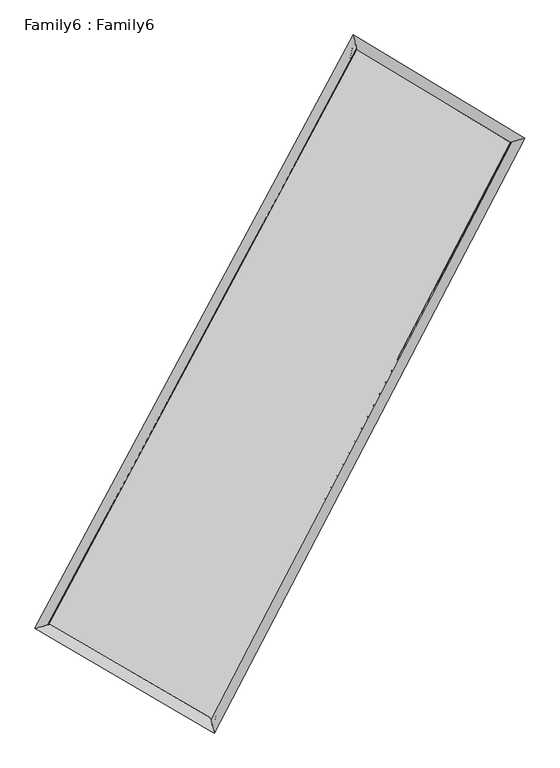
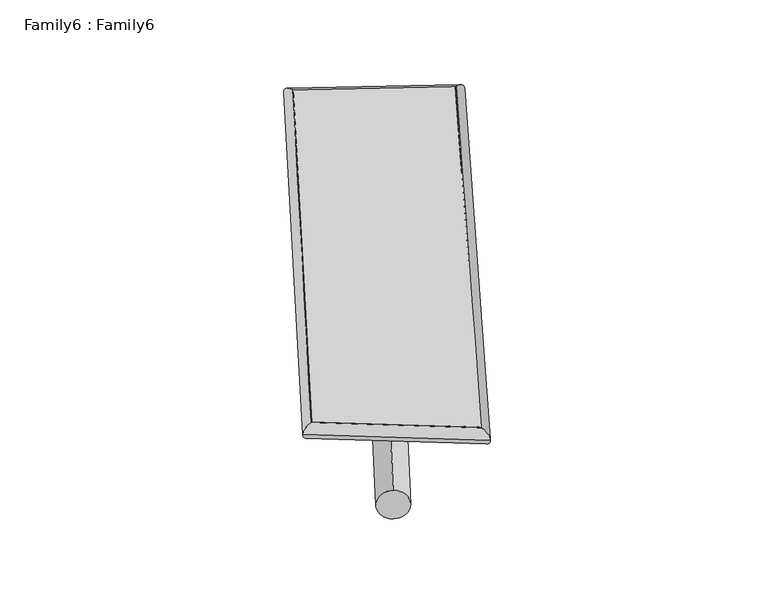
"""IFC4 building model written with IfcOpenShell, lengths in millimetres: plate geometry, Family6 : Family6."""

import ifcopenshell
import ifcopenshell.guid

model = None  # the IFC model being written
_history = None  # IfcOwnerHistory: only IFC2X3 demands one
_inside = {}  # id of a spatial element -> (the spatial element, [elements in it])
_under = {}  # id of a project, library or spatial element -> (it, [spatial elements below it])
_declared = {}  # id of a project -> (the project, [libraries it declares])
_typed = {}  # id of a type object -> (the type object, [elements of that type])
_made_of = {}  # id of a material, layer set ... -> (it, [elements and type objects made of it])


def new_model(schema):
    """Start an empty IFC model of exactly this schema.

    Asked for "IFC4X3", IfcOpenShell would pick the latest addendum, in which some entities
    have other attributes; the version numbers below select the first issue.
    IFC2X3 requires an IfcOwnerHistory on every rooted entity: one is made here for all.
    """
    global model, _history
    if schema == "IFC4X3":
        model = ifcopenshell.file(schema_version=(4, 3, 0, 0))
    else:
        model = ifcopenshell.file(schema=schema)
    _inside.clear()
    _under.clear()
    _declared.clear()
    _typed.clear()
    _made_of.clear()
    _history = None
    if model.schema == "IFC2X3":
        org = make("IfcOrganization", Name="unknown")
        user = make(
            "IfcPersonAndOrganization",
            ThePerson=make("IfcPerson", FamilyName="unknown"),
            TheOrganization=org,
        )
        app = make(
            "IfcApplication",
            ApplicationDeveloper=org,
            Version="unknown",
            ApplicationFullName="unknown",
            ApplicationIdentifier="unknown",
        )
        _history = make(
            "IfcOwnerHistory",
            OwningUser=user,
            OwningApplication=app,
            ChangeAction="ADDED",
            CreationDate=0,
        )
    return model


def make(cls, **values):
    """One entity of the class cls with the attributes given. An attribute that is None is left unset."""
    return model.create_entity(
        cls, **{name: value for name, value in values.items() if value is not None}
    )


def rooted(cls, **values):
    """An entity with a GlobalId (a new one), such as an element, a storey or a relation."""
    return make(cls, GlobalId=ifcopenshell.guid.new(), OwnerHistory=_history, **values)


def si_unit(unit_type, name, prefix=None):
    """IfcSIUnit, for example si_unit("LENGTHUNIT", "METRE", prefix="MILLI")."""
    return make("IfcSIUnit", UnitType=unit_type, Prefix=prefix, Name=name)


def assignment(units):
    """IfcUnitAssignment: the units of a project."""
    return None if units is None else make("IfcUnitAssignment", Units=units)


def point(xyz):
    """IfcCartesianPoint."""
    return None if xyz is None else make("IfcCartesianPoint", Coordinates=xyz)


def direction(xyz):
    """IfcDirection."""
    return None if xyz is None else make("IfcDirection", DirectionRatios=xyz)


def frame(location, z_axis=None, x_axis=None):
    """IfcAxis2Placement3D, a coordinate frame: its origin and axes. An axis left out is left unset."""
    return make(
        "IfcAxis2Placement3D",
        Location=point(location),
        Axis=direction(z_axis),
        RefDirection=direction(x_axis),
    )


def frame_2d(location, x_axis=None):
    """IfcAxis2Placement2D, a coordinate frame in the plane: its origin and x axis."""
    return make(
        "IfcAxis2Placement2D", Location=point(location), RefDirection=direction(x_axis)
    )


def origin():
    """The frame at (0, 0, 0) with its axes left unset."""
    return frame((0.0, 0.0, 0.0))


def origin_2d():
    """The frame at (0, 0) in the plane with its x axis left unset."""
    return frame_2d((0.0, 0.0))


def place(relative_to, where):
    """IfcLocalPlacement: puts the frame where relative to a parent placement (None: the world)."""
    return make(
        "IfcLocalPlacement", PlacementRelTo=relative_to, RelativePlacement=where
    )


def context(
    kind, dimensions, precision=None, world=None, true_north=None, identifier=None
):
    """IfcGeometricRepresentationContext, for example the 3D "Model" context."""
    return make(
        "IfcGeometricRepresentationContext",
        ContextIdentifier=identifier,
        ContextType=kind,
        CoordinateSpaceDimension=dimensions,
        Precision=precision,
        WorldCoordinateSystem=world,
        TrueNorth=true_north,
    )


def project(units=None, contexts=None):
    """IfcProject with its units and contexts."""
    return rooted(
        "IfcProject",
        Name="project",
        RepresentationContexts=contexts,
        UnitsInContext=assignment(units),
    )


def spatial(cls, under=None, at=None, **own):
    """A site, building, storey or space (cls), placed at a placement, below another one or the project."""
    s = rooted(cls, ObjectPlacement=at, **own)
    if under is not None:
        _under.setdefault(under.id(), (under, []))[1].append(s)
    return s


def circle_curve(where, radius):
    """IfcCircle in the frame where."""
    return make("IfcCircle", Position=where, Radius=radius)


def ellipse_curve(where, semi_axis1, semi_axis2):
    """IfcEllipse in the frame where."""
    return make(
        "IfcEllipse", Position=where, SemiAxis1=semi_axis1, SemiAxis2=semi_axis2
    )


def trimmed(basis, trim1, trim2, sense, master):
    """IfcTrimmedCurve: the piece of a basis curve between two trims."""
    return make(
        "IfcTrimmedCurve",
        BasisCurve=basis,
        Trim1=trim1,
        Trim2=trim2,
        SenseAgreement=sense,
        MasterRepresentation=master,
    )


def segment(curve, same_sense, transition):
    """IfcCompositeCurveSegment."""
    return make(
        "IfcCompositeCurveSegment",
        Transition=transition,
        SameSense=same_sense,
        ParentCurve=curve,
    )


def composite_curve(segments, self_intersect=None):
    """IfcCompositeCurve: segments joined end to end."""
    return make("IfcCompositeCurve", Segments=segments, SelfIntersect=self_intersect)


def outline(outer, holes=None, kind="AREA"):
    """IfcArbitraryClosedProfileDef: a profile drawn as a closed curve; with holes, ...WithVoids."""
    if holes is None:
        return make("IfcArbitraryClosedProfileDef", ProfileType=kind, OuterCurve=outer)
    return make(
        "IfcArbitraryProfileDefWithVoids",
        ProfileType=kind,
        OuterCurve=outer,
        InnerCurves=holes,
    )


def extrude(swept, where, along, depth):
    """IfcExtrudedAreaSolid: the profile swept, set in the frame where, extruded along a direction by depth."""
    return make(
        "IfcExtrudedAreaSolid",
        SweptArea=swept,
        Position=where,
        ExtrudedDirection=direction(along),
        Depth=depth,
    )


def shape(context_of_items, identifier, shape_type, items):
    """IfcShapeRepresentation: the items that make up one representation, for example the "Body"."""
    return make(
        "IfcShapeRepresentation",
        ContextOfItems=context_of_items,
        RepresentationIdentifier=identifier,
        RepresentationType=shape_type,
        Items=items,
    )


def source(mapping_origin, context_of_items, identifier, shape_type, items):
    """IfcRepresentationMap: a shape defined once, which mapped items show again and again."""
    return make(
        "IfcRepresentationMap",
        MappingOrigin=mapping_origin,
        MappedRepresentation=shape(context_of_items, identifier, shape_type, items),
    )


def transform(
    local_origin,
    x_axis=None,
    y_axis=None,
    z_axis=None,
    scale=None,
    scale2=None,
    scale3=None,
    uniform=True,
):
    """IfcCartesianTransformationOperator3D, or its non-uniform kind. x_axis, y_axis, z_axis: its Axis1, 2, 3."""
    if uniform:
        return make(
            "IfcCartesianTransformationOperator3D",
            Axis1=direction(x_axis),
            Axis2=direction(y_axis),
            LocalOrigin=point(local_origin),
            Scale=scale,
            Axis3=direction(z_axis),
        )
    return make(
        "IfcCartesianTransformationOperator3DnonUniform",
        Axis1=direction(x_axis),
        Axis2=direction(y_axis),
        LocalOrigin=point(local_origin),
        Scale=scale,
        Axis3=direction(z_axis),
        Scale2=scale2,
        Scale3=scale3,
    )


def mapped(mapping_source, mapping_target):
    """IfcMappedItem: shows the shape of a source again, moved by a transform."""
    return make(
        "IfcMappedItem", MappingSource=mapping_source, MappingTarget=mapping_target
    )


def made_of(thing, what):
    """Note that an element or type object is made of a material, layer set ...; save() writes the relation."""
    if what is not None:
        _made_of.setdefault(what.id(), (what, []))[1].append(thing)
    return thing


def element(
    cls,
    number,
    at=None,
    inside=None,
    cuts=None,
    type_object=None,
    material=None,
    context=None,
    identifier="Body",
    shape_type=None,
    held_by="IfcProductDefinitionShape",
    body=None,
    shapes=None,
    **own,
):
    """One element of the class cls, such as IfcWall. Its Tag is "e" and its number.

    at: its placement. inside: the storey or other place that contains it. cuts: it is an
    opening in that element (IfcRelVoidsElement). A single representation is given by context,
    identifier, shape_type and body (its items); several are given by shapes. held_by: the class
    of the entity that holds the representations. save() writes the other relations.
    """
    e = rooted(cls, Tag="e%d" % number, ObjectPlacement=at, **own)
    if body is not None:
        shapes = [shape(context, identifier, shape_type, body)]
    if shapes is not None:
        e.Representation = make(held_by, Representations=shapes)
    if inside is not None:
        _inside.setdefault(inside.id(), (inside, []))[1].append(e)
    if cuts is not None:
        rooted(
            "IfcRelVoidsElement", RelatingBuildingElement=cuts, RelatedOpeningElement=e
        )
    if type_object is not None:
        _typed.setdefault(type_object.id(), (type_object, []))[1].append(e)
    return made_of(e, material)


def aggregate(whole, parts):
    """IfcRelAggregates: a whole, such as a stair, and the parts it consists of."""
    return rooted("IfcRelAggregates", RelatingObject=whole, RelatedObjects=parts)


def save(model, path):
    """Write the relations noted so far, then the file.

    IfcRelAggregates (storeys below a building ...), IfcRelContainedInSpatialStructure (elements
    in a storey), IfcRelDefinesByType, IfcRelAssociatesMaterial and IfcRelDeclares: one each for
    every whole, place, type object, material and project.
    """
    for whole, parts in _under.values():
        aggregate(whole, parts)
    for where, things in _inside.values():
        rooted(
            "IfcRelContainedInSpatialStructure",
            RelatedElements=things,
            RelatingStructure=where,
        )
    for kind, things in _typed.values():
        rooted("IfcRelDefinesByType", RelatedObjects=things, RelatingType=kind)
    for what, things in _made_of.values():
        rooted("IfcRelAssociatesMaterial", RelatedObjects=things, RelatingMaterial=what)
    for by, libraries in _declared.values():
        rooted("IfcRelDeclares", RelatingContext=by, RelatedDefinitions=libraries)
    model.write(path)


def plane_surface(at):
    """IfcPlane: the flat surface through the origin of the frame at, square to its z axis."""
    return make("IfcPlane", Position=at)


def cylinder_surface(at, radius):
    """IfcCylindricalSurface: all points at the distance radius from the z axis of the frame at."""
    return make("IfcCylindricalSurface", Position=at, Radius=radius)


def spline_surface(u_degree, v_degree, points, u_multiplicities, v_multiplicities, u_knots, v_knots, weights=None):
    """IfcBSplineSurfaceWithKnots; with weights, IfcRationalBSplineSurfaceWithKnots. points: one row for each step in u."""
    own = dict(
        UDegree=u_degree,
        VDegree=v_degree,
        ControlPointsList=[[point(p) for p in row] for row in points],
        SurfaceForm="UNSPECIFIED",
        UClosed=False,
        VClosed=False,
        SelfIntersect=False,
        UMultiplicities=u_multiplicities,
        VMultiplicities=v_multiplicities,
        UKnots=u_knots,
        VKnots=v_knots,
        KnotSpec="UNSPECIFIED",
    )
    if weights is None:
        return make("IfcBSplineSurfaceWithKnots", **own)
    return make("IfcRationalBSplineSurfaceWithKnots", WeightsData=weights, **own)


def advanced_brep(points, edges, surfaces, faces):
    """IfcAdvancedBrep: a solid bounded by faces that lie on surfaces and meet in shared edges.

    An edge is (start, end): straight between two places in points (the first is 0);
    or (start, end, curve); or (start, end, curve, False) where it runs against its curve.
    A face is (place in surfaces, loops), or (place, loops, False) where it looks against
    its surface's normal. A loop lists edges by number (the first is 1), with a minus sign
    where the edge is run from its end to its start. The first loop is the outer one.
    """
    corners = [point(p) for p in points]
    vertices = [make("IfcVertexPoint", VertexGeometry=c) for c in corners]
    made = []
    for start, end, *more in edges:
        made.append(
            make(
                "IfcEdgeCurve",
                EdgeStart=vertices[start],
                EdgeEnd=vertices[end],
                EdgeGeometry=more[0] if more else make("IfcPolyline", Points=[corners[start], corners[end]]),
                SameSense=more[1] if len(more) > 1 else True,
            )
        )
    hull = []
    for where, loops, *sense in faces:
        bounds = []
        for j, loop in enumerate(loops):
            ring = [make("IfcOrientedEdge", EdgeElement=made[abs(k) - 1], Orientation=k > 0) for k in loop]
            bounds.append(
                make(
                    "IfcFaceOuterBound" if j == 0 else "IfcFaceBound",
                    Bound=make("IfcEdgeLoop", EdgeList=ring),
                    Orientation=True,
                )
            )
        hull.append(make("IfcAdvancedFace", Bounds=bounds, FaceSurface=surfaces[where], SameSense=sense[0] if sense else True))
    return make("IfcAdvancedBrep", Outer=make("IfcClosedShell", CfsFaces=hull))


def family6_family6_1436a162(model_context):
    return source(origin(), model_context, "Body", "SolidModel", [
        extrude(outline(composite_curve([segment(trimmed(circle_curve(origin_2d(), 76.2), [point((-75.4341514, -10.7763074))], [point((75.4341514, 10.7763074))], False, "CARTESIAN"), True, "CONTINUOUS"), segment(trimmed(circle_curve(origin_2d(), 76.2), [point((75.4341514, 10.7763074))], [point((-75.4341514, -10.7763074))], False, "CARTESIAN"), True, "CONTINUOUS")], self_intersect=False)), frame((9144.0, 9144.0, 0.0), z_axis=(0.660093544587399, 0.6939969109620003, 0.2874800862133673), x_axis=(-0.6869396468759346, 0.7125423075347346, -0.14281940177385588)), (0.0, 0.0, 1.0), 5485.3089088),
        extrude(outline(composite_curve([segment(trimmed(circle_curve(origin_2d(), 76.2), [point((-53.8815367, 53.8815368))], [point((53.8815367, -53.8815368))], False, "CARTESIAN"), True, "CONTINUOUS"), segment(trimmed(circle_curve(origin_2d(), 76.2), [point((53.8815367, -53.8815368))], [point((-53.8815367, 53.8815368))], False, "CARTESIAN"), True, "CONTINUOUS")], self_intersect=False)), frame((9144.0, 9144.0, 0.0), z_axis=(-0.6677376949767503, -0.687456967632685, 0.28553334019061566), x_axis=(0.6495409054101667, -0.3507121719667997, 0.6746092088263181)), (0.0, 0.0, 1.0), 5517.4784758),
        extrude(outline(composite_curve([segment(trimmed(circle_curve(origin_2d(), 76.2), [point((-53.8815367, -53.8815368))], [point((53.8815367, 53.8815368))], False, "CARTESIAN"), True, "CONTINUOUS"), segment(trimmed(circle_curve(origin_2d(), 76.2), [point((53.8815367, 53.8815368))], [point((-53.8815367, -53.8815368))], False, "CARTESIAN"), True, "CONTINUOUS")], self_intersect=False)), frame((9144.0, 9144.0, 0.0), z_axis=(0.21049986815180408, 0.9418524469601904, 0.2619232209315826), x_axis=(-0.8488289877275657, 0.3090009535175354, -0.42896125736323826)), (0.0, 0.0, 1.0), 5602.7617448),
        extrude(outline(composite_curve([segment(trimmed(circle_curve(origin_2d(), 76.2), [point((-75.4341515, 10.7763073))], [point((75.4341515, -10.7763073))], False, "CARTESIAN"), True, "CONTINUOUS"), segment(trimmed(circle_curve(origin_2d(), 76.2), [point((75.4341515, -10.7763073))], [point((-75.4341515, 10.7763073))], False, "CARTESIAN"), True, "CONTINUOUS")], self_intersect=False)), frame((9144.0, 9144.0, 0.0), z_axis=(-0.20060575887371768, -0.9438996680060275, 0.2623180250093598), x_axis=(0.8995411412149722, -0.07141081628480413, 0.43095966235739924)), (0.0, 0.0, 1.0), 5600.699635),
        advanced_brep(
        [(5256.4428365, 5293.733244, 1568.1079055), (5256.1500373, 5293.3535548, 1584.3443419), (5663.1004444, 5408.2087121, 1582.7402117), (10381.7982424, 14207.9719377, 1478.025348), (10264.9629747, 14633.9777804, 1456.9614566), (5663.3932437, 5408.5884013, 1566.5037754), (12563.4189719, 12894.2406591, 1575.8042457), (12966.2150296, 13007.3342177, 1578.0299103), (7959.2290746, 4069.5926272, 1471.2349106), (8081.7057244, 3645.4103206, 1467.0940233)],
        [
            (0, 1, ellipse_curve(frame((5459.7716405, 5350.970978, 1575.4240586), z_axis=(-0.2715164831873516, 0.9622727342343494, 0.017606371196874155), x_axis=(-0.9617272632970749, -0.2719725897346169, 0.03334038788262936)), 211.8119926, 152.4)),
            (1, 2, ellipse_curve(frame((5459.7716405, 5350.970978, 1575.4240586), z_axis=(-0.2715164831873516, 0.9622727342343494, 0.017606371196874155), x_axis=(-0.9617272632970749, -0.2719725897346169, 0.03334038788262936)), 211.8119926, 152.4)),
            (2, 3),
            (3, 4, ellipse_curve(frame((10323.3806086, 14420.974859, 1467.4934023), z_axis=(-0.963935357068244, -0.2653666225167217, -0.02022827347513308), x_axis=(0.26461245558827007, -0.9637654821062512, 0.033709699613772494)), 221.1431269, 152.4)),
            (4, 0),
            (2, 5, ellipse_curve(frame((5459.7716405, 5350.970978, 1575.4240586), z_axis=(-0.2715164831873516, 0.9622727342343494, 0.017606371196874155), x_axis=(-0.9617272632970749, -0.2719725897346169, 0.03334038788262936)), 211.8119926, 152.4)),
            (5, 0, ellipse_curve(frame((5459.7716405, 5350.970978, 1575.4240586), z_axis=(-0.2715164831873516, 0.9622727342343494, 0.017606371196874155), x_axis=(-0.9617272632970749, -0.2719725897346169, 0.03334038788262936)), 211.8119926, 152.4)),
            (4, 3, ellipse_curve(frame((10323.3806086, 14420.974859, 1467.4934023), z_axis=(-0.963935357068244, -0.2653666225167217, -0.02022827347513308), x_axis=(0.26461245558827007, -0.9637654821062512, 0.033709699613772494)), 221.1431269, 152.4)),
            (3, 6),
            (6, 7, ellipse_curve(frame((12764.8170008, 12950.7874384, 1576.917078), z_axis=(-0.27017097824000874, 0.9626223001544267, -0.019129813439691754), x_axis=(-0.9620016928227902, -0.2707053734827217, -0.03565590797702157)), 209.2740522, 152.4)),
            (7, 4),
            (7, 6, ellipse_curve(frame((12764.8170008, 12950.7874384, 1576.917078), z_axis=(-0.27017097824000874, 0.9626223001544267, -0.019129813439691754), x_axis=(-0.9620016928227902, -0.2707053734827217, -0.03565590797702157)), 209.2740522, 152.4)),
            (6, 8),
            (8, 9, ellipse_curve(frame((8020.4673995, 3857.5014739, 1469.1644669), z_axis=(0.9605440044205501, 0.2775225721652978, -0.018342232974511468), x_axis=(-0.27686286974720453, 0.9603761912045533, 0.03200816650133916)), 220.826941, 152.4)),
            (9, 7),
            (9, 8, ellipse_curve(frame((8020.4673995, 3857.5014739, 1469.1644669), z_axis=(0.9605440044205501, 0.2775225721652978, -0.018342232974511468), x_axis=(-0.27686286974720453, 0.9603761912045533, 0.03200816650133916)), 220.826941, 152.4)),
            (8, 5),
            (1, 9),
        ],
        [
            cylinder_surface(frame((5459.7716405, 5350.970978, 1575.4240586), z_axis=(-0.4725485944709126, -0.8812422244348916, 0.01048655027210088), x_axis=(-0.8800905364938467, 0.4712398507359019, -0.05808313569684242)), 152.4),
            cylinder_surface(frame((10323.3806086, 14420.974859, 1467.4934023), z_axis=(-0.8560366566280492, 0.5154892948173284, -0.03836703582249809), x_axis=(0.5166016317683453, 0.8557422768265496, -0.02877342013032029)), 152.4),
            cylinder_surface(frame((12764.8170008, 12950.7874384, 1576.917078), z_axis=(0.4625425119182445, 0.8865348646442148, 0.010505162474937636), x_axis=(0.8865933626029289, -0.46254251191824447, -0.00257566628125021)), 152.4),
            cylinder_surface(frame((8020.4673995, 3857.5014739, 1469.1644669), z_axis=(0.8632640731847472, -0.5034797916874756, -0.035822329779282604), x_axis=(-0.5029165204866345, -0.8640028875277346, 0.023957958288495406)), 152.4),
        ],
        [
            (0, [[1, 2, 3, 4, 5]]),
            (0, [[6, 7, -5, 8, -3]]),
            (1, [[-4, 9, 10, 11]]),
            (1, [[-8, -11, 12, -9]]),
            (2, [[-10, 13, 14, 15]]),
            (2, [[-12, -15, 16, -13]]),
            (3, [[-14, 17, -6, -2, 18]]),
            (3, [[-16, -18, -1, -7, -17]]),
        ],
    ),
        extrude(outline(composite_curve([segment(trimmed(circle_curve(origin_2d(), 304.8), [point((0.0, -304.8000001))], [point((1e-07, 304.8))], False, "CARTESIAN"), True, "CONTINUOUS"), segment(trimmed(circle_curve(origin_2d(), 304.8), [point((1e-07, 304.8))], [point((0.0, -304.8000001))], False, "CARTESIAN"), True, "CONTINUOUS")], self_intersect=False)), frame((6683.5872411, 4615.4471731, -0.1117296), z_axis=(0.4773998874811932, 0.8786861481569841, 2.167917643164612e-05), x_axis=(-0.8786861484071519, 0.4773998874811932, 5.508975727162264e-06)), (0.0, 0.0, 1.0), 10307.5548338),
        advanced_brep(
        [(5459.7716405, 5350.970978, 1575.4240586), (8020.4673995, 3857.5014739, 1469.1644669), (8020.4965233, 3857.4911563, 1621.5644638), (5459.8007643, 5350.9606605, 1727.8240555), (12764.8170008, 12950.7874384, 1576.917078), (12764.8461246, 12950.7771208, 1729.3170749), (10323.3806086, 14420.974859, 1467.4934023), (10323.4097323, 14420.9645415, 1619.8933992)],
        [
            (0, 1),
            (1, 2),
            (2, 3),
            (3, 0),
            (1, 4),
            (4, 5),
            (5, 2),
            (4, 6),
            (6, 7),
            (7, 5),
            (6, 0),
            (3, 7),
        ],
        [
            plane_surface(frame((6740.11952, 4604.236226, 1522.2942628), z_axis=(-0.5038019747893081, -0.8638191759679014, 3.7795889780287834e-05), x_axis=(0.8632640731847474, -0.5034797916874753, -0.0358223297792826))),
            plane_surface(frame((10392.6422001, 8404.1444562, 1523.0407725), z_axis=(0.8865847446652395, -0.46256615767806386, -0.00020074318158510608), x_axis=(0.46254251191824425, 0.8865348646442147, 0.010505162474937645))),
            plane_surface(frame((11544.0988047, 13685.8811487, 1522.2052402), z_axis=(0.515870456458078, 0.8566666040569557, -4.058642138238602e-05), x_axis=(-0.8560366566280493, 0.5154892948173286, -0.03836703582249808))),
            plane_surface(frame((7891.5761245, 9885.9729185, 1521.4587305), z_axis=(-0.8812896716211901, 0.47257642189391136, 0.00020040898978072874), x_axis=(-0.47254859447091296, -0.8812422244348914, 0.010486550272100876))),
            spline_surface(1, 1, [[(8020.4965233, 3857.4911563, 1621.5644638), (5459.8007643, 5350.9606605, 1727.8240555)], [(12764.8461246, 12950.7771208, 1729.3170749), (10323.4097323, 14420.9645415, 1619.8933992)]], [2, 2], [2, 2], [0.0, 1.0], [0.0, 1.0]),
            spline_surface(1, 1, [[(10323.3806086, 14420.974859, 1467.4934023), (5459.7716405, 5350.970978, 1575.4240586)], [(12764.8170008, 12950.7874384, 1576.917078), (8020.4673995, 3857.5014739, 1469.1644669)]], [2, 2], [2, 2], [0.0, 1.0], [0.0, 1.0]),
        ],
        [
            (0, [[1, 2, 3, 4]]),
            (1, [[5, 6, 7, -2]]),
            (2, [[8, 9, 10, -6]]),
            (3, [[11, -4, 12, -9]]),
            (4, [[-3, -7, -10, -12]]),
            (5, [[-11, -8, -5, -1]]),
        ],
    ),
    ])


if __name__ == "__main__":
    model = new_model("IFC4")
    model_context = context("Model", 3, world=origin())
    ifc_project = project(units=[si_unit("LENGTHUNIT", "METRE", prefix="MILLI")], contexts=[model_context])
    site = spatial("IfcSite", under=ifc_project)
    building = spatial("IfcBuilding", under=site)
    placement = place(None, origin())
    family6_family6_shape = family6_family6_1436a162(model_context)
    element("IfcPlate", 1, ObjectType="Family6 : Family6", at=placement, inside=building, context=model_context, shape_type="MappedRepresentation", body=[
        mapped(family6_family6_shape, transform((0.0, 0.0, 0.0), x_axis=(1.0, 0.0, 0.0), y_axis=(0.0, 1.0, 0.0), z_axis=(0.0, 0.0, 1.0))),
    ])
    save(model, "model.ifc")
